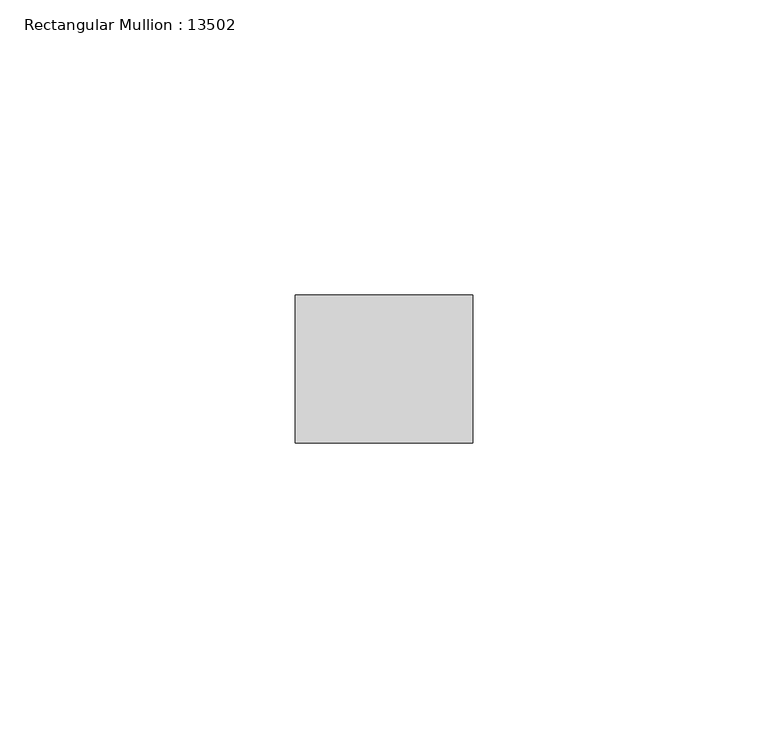
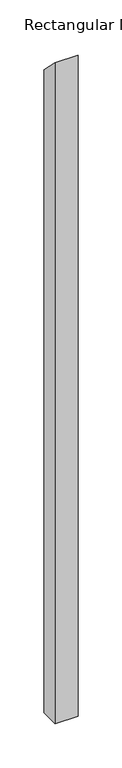
"""IFC4 building model written with IfcOpenShell, lengths in millimetres: member geometry, Rectangular Mullion : 13502."""

import ifcopenshell
import ifcopenshell.guid

model = None  # the IFC model being written
_history = None  # IfcOwnerHistory: only IFC2X3 demands one
_inside = {}  # id of a spatial element -> (the spatial element, [elements in it])
_under = {}  # id of a project, library or spatial element -> (it, [spatial elements below it])
_declared = {}  # id of a project -> (the project, [libraries it declares])
_typed = {}  # id of a type object -> (the type object, [elements of that type])
_made_of = {}  # id of a material, layer set ... -> (it, [elements and type objects made of it])


def new_model(schema):
    """Start an empty IFC model of exactly this schema.

    Asked for "IFC4X3", IfcOpenShell would pick the latest addendum, in which some entities
    have other attributes; the version numbers below select the first issue.
    IFC2X3 requires an IfcOwnerHistory on every rooted entity: one is made here for all.
    """
    global model, _history
    if schema == "IFC4X3":
        model = ifcopenshell.file(schema_version=(4, 3, 0, 0))
    else:
        model = ifcopenshell.file(schema=schema)
    _inside.clear()
    _under.clear()
    _declared.clear()
    _typed.clear()
    _made_of.clear()
    _history = None
    if model.schema == "IFC2X3":
        org = make("IfcOrganization", Name="unknown")
        user = make(
            "IfcPersonAndOrganization",
            ThePerson=make("IfcPerson", FamilyName="unknown"),
            TheOrganization=org,
        )
        app = make(
            "IfcApplication",
            ApplicationDeveloper=org,
            Version="unknown",
            ApplicationFullName="unknown",
            ApplicationIdentifier="unknown",
        )
        _history = make(
            "IfcOwnerHistory",
            OwningUser=user,
            OwningApplication=app,
            ChangeAction="ADDED",
            CreationDate=0,
        )
    return model


def make(cls, **values):
    """One entity of the class cls with the attributes given. An attribute that is None is left unset."""
    return model.create_entity(
        cls, **{name: value for name, value in values.items() if value is not None}
    )


def rooted(cls, **values):
    """An entity with a GlobalId (a new one), such as an element, a storey or a relation."""
    return make(cls, GlobalId=ifcopenshell.guid.new(), OwnerHistory=_history, **values)


def si_unit(unit_type, name, prefix=None):
    """IfcSIUnit, for example si_unit("LENGTHUNIT", "METRE", prefix="MILLI")."""
    return make("IfcSIUnit", UnitType=unit_type, Prefix=prefix, Name=name)


def assignment(units):
    """IfcUnitAssignment: the units of a project."""
    return None if units is None else make("IfcUnitAssignment", Units=units)


def point(xyz):
    """IfcCartesianPoint."""
    return None if xyz is None else make("IfcCartesianPoint", Coordinates=xyz)


def direction(xyz):
    """IfcDirection."""
    return None if xyz is None else make("IfcDirection", DirectionRatios=xyz)


def frame(location, z_axis=None, x_axis=None):
    """IfcAxis2Placement3D, a coordinate frame: its origin and axes. An axis left out is left unset."""
    return make(
        "IfcAxis2Placement3D",
        Location=point(location),
        Axis=direction(z_axis),
        RefDirection=direction(x_axis),
    )


def origin():
    """The frame at (0, 0, 0) with its axes left unset."""
    return frame((0.0, 0.0, 0.0))


def place(relative_to, where):
    """IfcLocalPlacement: puts the frame where relative to a parent placement (None: the world)."""
    return make(
        "IfcLocalPlacement", PlacementRelTo=relative_to, RelativePlacement=where
    )


def context(
    kind, dimensions, precision=None, world=None, true_north=None, identifier=None
):
    """IfcGeometricRepresentationContext, for example the 3D "Model" context."""
    return make(
        "IfcGeometricRepresentationContext",
        ContextIdentifier=identifier,
        ContextType=kind,
        CoordinateSpaceDimension=dimensions,
        Precision=precision,
        WorldCoordinateSystem=world,
        TrueNorth=true_north,
    )


def project(units=None, contexts=None):
    """IfcProject with its units and contexts."""
    return rooted(
        "IfcProject",
        Name="project",
        RepresentationContexts=contexts,
        UnitsInContext=assignment(units),
    )


def spatial(cls, under=None, at=None, **own):
    """A site, building, storey or space (cls), placed at a placement, below another one or the project."""
    s = rooted(cls, ObjectPlacement=at, **own)
    if under is not None:
        _under.setdefault(under.id(), (under, []))[1].append(s)
    return s


def polyline(points):
    """IfcPolyline through the points."""
    return make("IfcPolyline", Points=[point(p) for p in points])


def outline(outer, holes=None, kind="AREA"):
    """IfcArbitraryClosedProfileDef: a profile drawn as a closed curve; with holes, ...WithVoids."""
    if holes is None:
        return make("IfcArbitraryClosedProfileDef", ProfileType=kind, OuterCurve=outer)
    return make(
        "IfcArbitraryProfileDefWithVoids",
        ProfileType=kind,
        OuterCurve=outer,
        InnerCurves=holes,
    )


def extrude(swept, where, along, depth):
    """IfcExtrudedAreaSolid: the profile swept, set in the frame where, extruded along a direction by depth."""
    return make(
        "IfcExtrudedAreaSolid",
        SweptArea=swept,
        Position=where,
        ExtrudedDirection=direction(along),
        Depth=depth,
    )


def shape(context_of_items, identifier, shape_type, items):
    """IfcShapeRepresentation: the items that make up one representation, for example the "Body"."""
    return make(
        "IfcShapeRepresentation",
        ContextOfItems=context_of_items,
        RepresentationIdentifier=identifier,
        RepresentationType=shape_type,
        Items=items,
    )


def source(mapping_origin, context_of_items, identifier, shape_type, items):
    """IfcRepresentationMap: a shape defined once, which mapped items show again and again."""
    return make(
        "IfcRepresentationMap",
        MappingOrigin=mapping_origin,
        MappedRepresentation=shape(context_of_items, identifier, shape_type, items),
    )


def transform(
    local_origin,
    x_axis=None,
    y_axis=None,
    z_axis=None,
    scale=None,
    scale2=None,
    scale3=None,
    uniform=True,
):
    """IfcCartesianTransformationOperator3D, or its non-uniform kind. x_axis, y_axis, z_axis: its Axis1, 2, 3."""
    if uniform:
        return make(
            "IfcCartesianTransformationOperator3D",
            Axis1=direction(x_axis),
            Axis2=direction(y_axis),
            LocalOrigin=point(local_origin),
            Scale=scale,
            Axis3=direction(z_axis),
        )
    return make(
        "IfcCartesianTransformationOperator3DnonUniform",
        Axis1=direction(x_axis),
        Axis2=direction(y_axis),
        LocalOrigin=point(local_origin),
        Scale=scale,
        Axis3=direction(z_axis),
        Scale2=scale2,
        Scale3=scale3,
    )


def mapped(mapping_source, mapping_target):
    """IfcMappedItem: shows the shape of a source again, moved by a transform."""
    return make(
        "IfcMappedItem", MappingSource=mapping_source, MappingTarget=mapping_target
    )


def made_of(thing, what):
    """Note that an element or type object is made of a material, layer set ...; save() writes the relation."""
    if what is not None:
        _made_of.setdefault(what.id(), (what, []))[1].append(thing)
    return thing


def element(
    cls,
    number,
    at=None,
    inside=None,
    cuts=None,
    type_object=None,
    material=None,
    context=None,
    identifier="Body",
    shape_type=None,
    held_by="IfcProductDefinitionShape",
    body=None,
    shapes=None,
    **own,
):
    """One element of the class cls, such as IfcWall. Its Tag is "e" and its number.

    at: its placement. inside: the storey or other place that contains it. cuts: it is an
    opening in that element (IfcRelVoidsElement). A single representation is given by context,
    identifier, shape_type and body (its items); several are given by shapes. held_by: the class
    of the entity that holds the representations. save() writes the other relations.
    """
    e = rooted(cls, Tag="e%d" % number, ObjectPlacement=at, **own)
    if body is not None:
        shapes = [shape(context, identifier, shape_type, body)]
    if shapes is not None:
        e.Representation = make(held_by, Representations=shapes)
    if inside is not None:
        _inside.setdefault(inside.id(), (inside, []))[1].append(e)
    if cuts is not None:
        rooted(
            "IfcRelVoidsElement", RelatingBuildingElement=cuts, RelatedOpeningElement=e
        )
    if type_object is not None:
        _typed.setdefault(type_object.id(), (type_object, []))[1].append(e)
    return made_of(e, material)


def aggregate(whole, parts):
    """IfcRelAggregates: a whole, such as a stair, and the parts it consists of."""
    return rooted("IfcRelAggregates", RelatingObject=whole, RelatedObjects=parts)


def save(model, path):
    """Write the relations noted so far, then the file.

    IfcRelAggregates (storeys below a building ...), IfcRelContainedInSpatialStructure (elements
    in a storey), IfcRelDefinesByType, IfcRelAssociatesMaterial and IfcRelDeclares: one each for
    every whole, place, type object, material and project.
    """
    for whole, parts in _under.values():
        aggregate(whole, parts)
    for where, things in _inside.values():
        rooted(
            "IfcRelContainedInSpatialStructure",
            RelatedElements=things,
            RelatingStructure=where,
        )
    for kind, things in _typed.values():
        rooted("IfcRelDefinesByType", RelatedObjects=things, RelatingType=kind)
    for what, things in _made_of.values():
        rooted("IfcRelAssociatesMaterial", RelatedObjects=things, RelatingMaterial=what)
    for by, libraries in _declared.values():
        rooted("IfcRelDeclares", RelatingContext=by, RelatedDefinitions=libraries)
    model.write(path)


def rectangular_mullion_13502_4f1c38a4(model_context):
    return source(origin(), model_context, "Body", "SweptSolid", [
        extrude(outline(polyline([(-12.5, 12.5), (12.5, -12.5), (12.5, -900.0), (-12.5, -900.0), (-12.5, 12.5)])), frame((-29.9999993, 0.0, 0.0), z_axis=(1.0, 0.0, 0.0), x_axis=(0.0, 1.0, 0.0)), (0.0, 0.0, 1.0), 29.9999993),
    ])


if __name__ == "__main__":
    model = new_model("IFC4")
    model_context = context("Model", 3, world=origin())
    ifc_project = project(units=[si_unit("LENGTHUNIT", "METRE", prefix="MILLI")], contexts=[model_context])
    site = spatial("IfcSite", under=ifc_project)
    building = spatial("IfcBuilding", under=site)
    placement = place(None, origin())
    rectangular_mullion_13502_shape = rectangular_mullion_13502_4f1c38a4(model_context)
    element("IfcMember", 1, ObjectType="Rectangular Mullion : 13502", at=placement, inside=building, context=model_context, shape_type="MappedRepresentation", body=[
        mapped(rectangular_mullion_13502_shape, transform((0.0, 0.0, 0.0), x_axis=(1.0, 0.0, 0.0), y_axis=(0.0, 1.0, 0.0), z_axis=(0.0, 0.0, 1.0))),
    ])
    save(model, "model.ifc")
